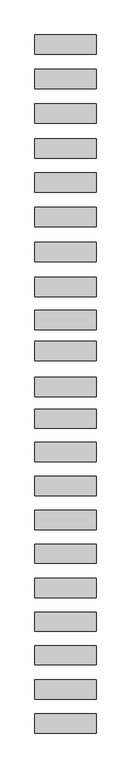
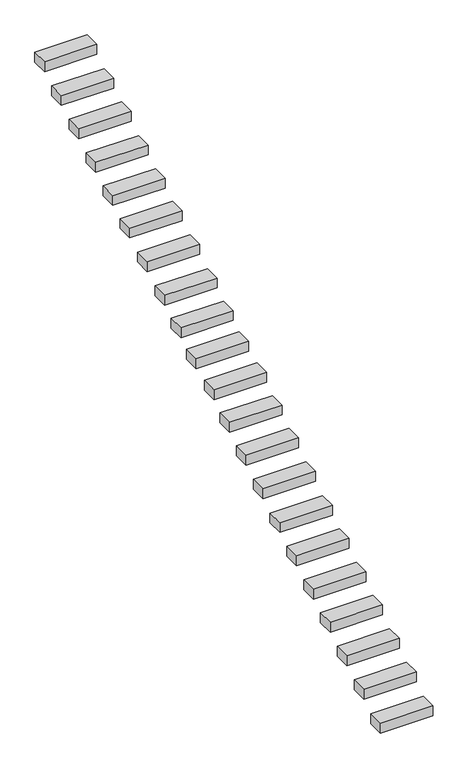
"""IFC4 building model written with IfcOpenShell, lengths in millimetres: proxy geometry."""

from ifc_helpers import new_model, si_unit, frame, origin, place, context, project, spatial, polyline, outline, extrude, source, transform, mapped, element, save


def generic_models_c04b3cb5(model_context):
    return source(origin(), model_context, "Body", "SweptSolid", [
        extrude(outline(polyline([(-600.0, 3138.0261727), (600.0, 3138.0261727), (600.0, 2758.0261727), (-600.0, 2758.0261727), (-600.0, 3138.0261727)])), frame((0.0, 0.0, 1810.9041063), z_axis=(0.0, 0.0, 1.0), x_axis=(1.0, 0.0, 0.0)), (0.0, 0.0, 1.0), 240.0),
        extrude(outline(polyline([(-600.0, 2464.712945), (600.0, 2464.712945), (600.0, 2084.712945), (-600.0, 2084.712945), (-600.0, 2464.712945)])), frame((0.0, 0.0, 1403.9577939), z_axis=(0.0, 0.0, 1.0), x_axis=(1.0, 0.0, 0.0)), (0.0, 0.0, 1.0), 240.0),
        extrude(outline(polyline([(-600.0, 1784.0498119), (600.0, 1784.0498119), (600.0, 1404.0498119), (-600.0, 1404.0498119), (-600.0, 1784.0498119)])), frame((0.0, 0.0, 1015.2003501), z_axis=(0.0, 0.0, 1.0), x_axis=(1.0, 0.0, 0.0)), (0.0, 0.0, 1.0), 240.0),
        extrude(outline(polyline([(-600.0, 1098.0864898), (600.0, 1098.0864898), (600.0, 718.0864898), (-600.0, 718.0864898), (-600.0, 1098.0864898)])), frame((0.0, 0.0, 614.7285818), z_axis=(0.0, 0.0, 1.0), x_axis=(1.0, 0.0, 0.0)), (0.0, 0.0, 1.0), 240.0),
        extrude(outline(polyline([(-600.0, 429.7059598), (600.0, 429.7059598), (600.0, 49.7059598), (-600.0, 49.7059598), (-600.0, 429.7059598)])), frame((0.0, 0.0, 220.1139758), z_axis=(0.0, 0.0, 1.0), x_axis=(1.0, 0.0, 0.0)), (0.0, 0.0, 1.0), 240.0),
        extrude(outline(polyline([(-600.0, -246.0736167), (600.0, -246.0736167), (600.0, -626.0736167), (-600.0, -626.0736167), (-600.0, -246.0736167)])), frame((0.0, 0.0, -157.1016064), z_axis=(0.0, 0.0, 1.0), x_axis=(1.0, 0.0, 0.0)), (0.0, 0.0, 1.0), 240.0),
        extrude(outline(polyline([(-600.0, -931.7185884), (600.0, -931.7185884), (600.0, -1311.7185884), (-600.0, -1311.7185884), (-600.0, -931.7185884)])), frame((0.0, 0.0, -551.9854821), z_axis=(0.0, 0.0, 1.0), x_axis=(1.0, 0.0, 0.0)), (0.0, 0.0, 1.0), 240.0),
        extrude(outline(polyline([(-600.0, -1622.2289554), (600.0, -1622.2289554), (600.0, -2002.2289554), (-600.0, -2002.2289554), (-600.0, -1622.2289554)])), frame((0.0, 0.0, -951.4654532), z_axis=(0.0, 0.0, 1.0), x_axis=(1.0, 0.0, 0.0)), (0.0, 0.0, 1.0), 240.0),
        extrude(outline(polyline([(-600.0, -2271.0132996), (600.0, -2271.0132996), (600.0, -2651.0132996), (-600.0, -2651.0132996), (-600.0, -2271.0132996)])), frame((0.0, 0.0, -1343.613718), z_axis=(0.0, 0.0, 1.0), x_axis=(1.0, 0.0, 0.0)), (0.0, 0.0, 1.0), 240.0),
        extrude(outline(polyline([(-600.0, -2880.0668532), (600.0, -2880.0668532), (600.0, -3260.0668532), (-600.0, -3260.0668532), (-600.0, -2880.0668532)])), frame((0.0, 0.0, -1720.963935), z_axis=(0.0, 0.0, 1.0), x_axis=(1.0, 0.0, 0.0)), (0.0, 0.0, 1.0), 240.0),
        extrude(outline(polyline([(-600.0, -3582.7070572), (600.0, -3582.7070572), (600.0, -3962.7070572), (-600.0, -3962.7070572), (-600.0, -3582.7070572)])), frame((0.0, 0.0, -2041.2517153), z_axis=(0.0, 0.0, 1.0), x_axis=(1.0, 0.0, 0.0)), (0.0, 0.0, 1.0), 240.0),
        extrude(outline(polyline([(-600.0, -4206.6933085), (600.0, -4206.6933085), (600.0, -4586.6933085), (-600.0, -4586.6933085), (-600.0, -4206.6933085)])), frame((0.0, 0.0, -2455.664369), z_axis=(0.0, 0.0, 1.0), x_axis=(1.0, 0.0, 0.0)), (0.0, 0.0, 1.0), 240.0),
        extrude(outline(polyline([(-600.0, -4860.3430479), (600.0, -4860.3430479), (600.0, -5240.3430479), (-600.0, -5240.3430479), (-600.0, -4860.3430479)])), frame((0.0, 0.0, -2855.2116576), z_axis=(0.0, 0.0, 1.0), x_axis=(1.0, 0.0, 0.0)), (0.0, 0.0, 1.0), 240.0),
        extrude(outline(polyline([(-600.0, -5528.7235779), (600.0, -5528.7235779), (600.0, -5908.7235779), (-600.0, -5908.7235779), (-600.0, -5528.7235779)])), frame((0.0, 0.0, -3259.6243114), z_axis=(0.0, 0.0, 1.0), x_axis=(1.0, 0.0, 0.0)), (0.0, 0.0, 1.0), 240.0),
        extrude(outline(polyline([(-600.0, -6194.6377591), (600.0, -6194.6377591), (600.0, -6574.6377591), (-600.0, -6574.6377591), (-600.0, -6194.6377591)])), frame((0.0, 0.0, -3671.5706238), z_axis=(0.0, 0.0, 1.0), x_axis=(1.0, 0.0, 0.0)), (0.0, 0.0, 1.0), 240.0),
        extrude(outline(polyline([(-600.0, -6858.0855915), (600.0, -6858.0855915), (600.0, -7238.0855915), (-600.0, -7238.0855915), (-600.0, -6858.0855915)])), frame((0.0, 0.0, -4071.1852298), z_axis=(0.0, 0.0, 1.0), x_axis=(1.0, 0.0, 0.0)), (0.0, 0.0, 1.0), 240.0),
        extrude(outline(polyline([(-600.0, -7526.4661215), (600.0, -7526.4661215), (600.0, -7906.4661215), (-600.0, -7906.4661215), (-600.0, -7526.4661215)])), frame((0.0, 0.0, -4477.9969075), z_axis=(0.0, 0.0, 1.0), x_axis=(1.0, 0.0, 0.0)), (0.0, 0.0, 1.0), 240.0),
        extrude(outline(polyline([(-600.0, -8192.3803026), (600.0, -8192.3803026), (600.0, -8572.3803026), (-600.0, -8572.3803026), (-600.0, -8192.3803026)])), frame((0.0, 0.0, -4870.1451722), z_axis=(0.0, 0.0, 1.0), x_axis=(1.0, 0.0, 0.0)), (0.0, 0.0, 1.0), 240.0),
        extrude(outline(polyline([(-600.0, -8850.8954374), (600.0, -8850.8954374), (600.0, -9230.8954374), (-600.0, -9230.8954374), (-600.0, -8850.8954374)])), frame((0.0, 0.0, -5282.0241672), z_axis=(0.0, 0.0, 1.0), x_axis=(1.0, 0.0, 0.0)), (0.0, 0.0, 1.0), 240.0),
        extrude(outline(polyline([(-600.0, -9524.208665), (600.0, -9524.208665), (600.0, -9904.208665), (-600.0, -9904.208665), (-600.0, -9524.208665)])), frame((0.0, 0.0, -5681.5714558), z_axis=(0.0, 0.0, 1.0), x_axis=(1.0, 0.0, 0.0)), (0.0, 0.0, 1.0), 240.0),
        extrude(outline(polyline([(-600.0, -10187.6564974), (600.0, -10187.6564974), (600.0, -10567.6564974), (-600.0, -10567.6564974), (-600.0, -10187.6564974)])), frame((0.0, 0.0, -6101.051427), z_axis=(0.0, 0.0, 1.0), x_axis=(1.0, 0.0, 0.0)), (0.0, 0.0, 1.0), 240.0),
    ])


if __name__ == "__main__":
    model = new_model("IFC4")
    model_context = context("Model", 3, world=origin())
    ifc_project = project(units=[si_unit("LENGTHUNIT", "METRE", prefix="MILLI")], contexts=[model_context])
    site = spatial("IfcSite", under=ifc_project)
    building = spatial("IfcBuilding", under=site)
    placement = place(None, origin())
    generic_models_shape = generic_models_c04b3cb5(model_context)
    element("IfcBuildingElementProxy", 1, Name="Generic Models", at=placement, inside=building, context=model_context, shape_type="MappedRepresentation", body=[
        mapped(generic_models_shape, transform((0.0, 0.0, 0.0), x_axis=(1.0, 0.0, 0.0), y_axis=(0.0, 1.0, 0.0), z_axis=(0.0, 0.0, 1.0))),
    ])
    save(model, "model.ifc")
